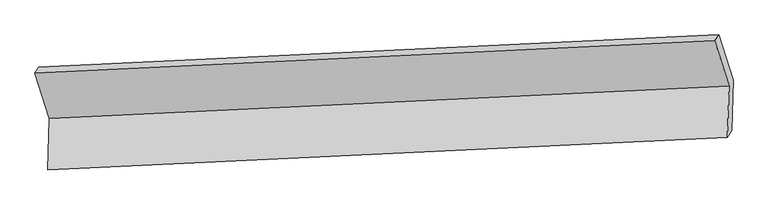
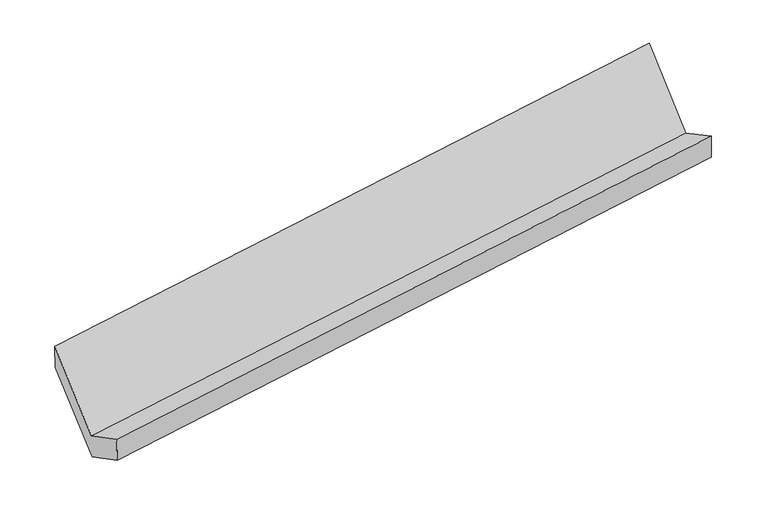
"""IFC4 building model written with IfcOpenShell, lengths in millimetres: proxy geometry."""

from ifc_helpers import new_model, si_unit, frame, origin, place, context, project, spatial, source, transform, mapped, element, save
from ifc_brep_helpers import plane_surface, spline_surface, advanced_brep


def generic_models_6ca841c4(model_context):
    return source(origin(), model_context, "Body", "AdvancedBrep", [
        advanced_brep(
        [(-5212.6583895, -1626.7899037, 1428.0872911), (-5223.8592889, -1985.9848159, 1623.3156929), (-474.4912507, -1759.0572732, 2313.3198675), (-463.2903513, -1399.8623611, 2118.0914658), (-5195.3849805, -1944.6677458, 1416.1154989), (-445.743065, -1708.9573952, 2101.3460715), (-5184.1840812, -1585.4728337, 1220.8870971), (-434.816043, -1358.545291, 1910.8912718), (-5284.897793, -1267.631634, 1799.8953594), (-535.5297548, -1040.7040913, 2489.8995341), (-5313.3721013, -1308.9487041, 2007.0955534), (-564.0040631, -1082.0211614, 2697.0997281)],
        [
            (0, 1),
            (1, 2),
            (2, 3),
            (3, 0),
            (1, 4),
            (4, 5),
            (5, 2),
            (4, 6),
            (6, 7),
            (7, 5),
            (6, 8),
            (8, 9),
            (9, 7),
            (8, 10),
            (10, 11),
            (11, 9),
            (10, 0),
            (3, 11),
        ],
        [
            plane_surface(frame((-5218.2588392, -1806.3873598, 1525.701492), z_axis=(-0.14867936304509433, 0.47580673066248197, 0.8668923820525737), x_axis=(-0.027387734192155202, -0.8782807925833283, 0.47736020089134))),
            spline_surface(1, 1, [[(-5223.8592889, -1985.9848159, 1623.3156929), (-474.4912507, -1759.0572732, 2313.3198675)], [(-5195.3849805, -1944.6677458, 1416.1154989), (-445.743065, -1708.9573952, 2101.3460715)]], [2, 2], [2, 2], [0.0, 1.0], [0.0, 1.0]),
            plane_surface(frame((-5189.7845309, -1765.0702897, 1318.501298), z_axis=(0.14867936304509827, -0.4758067306624821, -0.866892382052573), x_axis=(0.027387734192155233, 0.8782807925833281, -0.4773602008913403))),
            plane_surface(frame((-5234.5409371, -1426.5522338, 1510.3912283), z_axis=(0.02738773419215499, 0.878280792583329, -0.4773602008913388), x_axis=(-0.15073646075380864, 0.4757073953656866, 0.8665915955014852))),
            plane_surface(frame((-5299.1349471, -1288.290169, 1903.4954564), z_axis=(-0.07373747392936059, 0.9799175059879159, 0.1852686330627506), x_axis=(-0.13356330662310503, -0.1938043388385451, 0.971905716297243))),
            plane_surface(frame((-5263.0152454, -1467.8693039, 1717.5914223), z_axis=(-0.027387734192154768, -0.8782807925833295, 0.4773602008913379), x_axis=(0.1507364607538043, -0.47570739536568596, -0.8665915955014863))),
            plane_surface(frame((-486.3124213, -1391.5245955, 2271.7746565), z_axis=(0.988194531160357, 0.048221606916348934, 0.14541748591956752), x_axis=(-0.13356330662310503, -0.1938043388385451, 0.971905716297243))),
            plane_surface(frame((-5235.7261057, -1619.9159395, 1582.5660821), z_axis=(-0.9881945311603564, -0.04822160691635123, -0.14541748591957046), x_axis=(-0.1507364607538077, 0.4757073953656967, 0.8665915955014799))),
        ],
        [
            (0, [[1, 2, 3, 4]]),
            (1, [[5, 6, 7, -2]]),
            (2, [[8, 9, 10, -6]]),
            (3, [[11, 12, 13, -9]]),
            (4, [[14, 15, 16, -12]]),
            (5, [[17, -4, 18, -15]]),
            (6, [[-16, -18, -3, -7, -10, -13]]),
            (7, [[-17, -14, -11, -8, -5, -1]]),
        ],
    ),
    ])


if __name__ == "__main__":
    model = new_model("IFC4")
    model_context = context("Model", 3, world=origin())
    ifc_project = project(units=[si_unit("LENGTHUNIT", "METRE", prefix="MILLI")], contexts=[model_context])
    site = spatial("IfcSite", under=ifc_project)
    building = spatial("IfcBuilding", under=site)
    placement = place(None, origin())
    generic_models_shape = generic_models_6ca841c4(model_context)
    element("IfcBuildingElementProxy", 1, Name="Generic Models", at=placement, inside=building, context=model_context, shape_type="MappedRepresentation", body=[
        mapped(generic_models_shape, transform((0.0, 0.0, 0.0), x_axis=(1.0, 0.0, 0.0), y_axis=(0.0, 1.0, 0.0), z_axis=(0.0, 0.0, 1.0))),
    ])
    save(model, "model.ifc")
